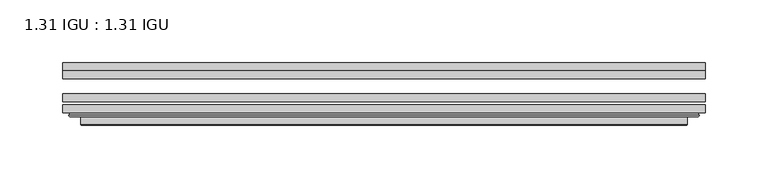
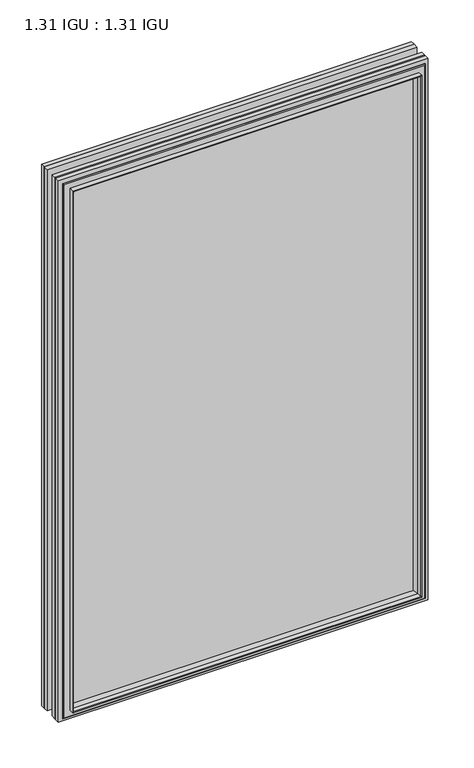
"""IFC4 building model written with IfcOpenShell, lengths in millimetres: plate geometry, 1.31 IGU : 1.31 IGU."""

from ifc_helpers import new_model, si_unit, frame, origin, place, context, project, spatial, polyline, ellipse_curve, outline, extrude, faceted_brep, source, transform, mapped, element, save
from ifc_brep_helpers import plane_surface, cylinder_surface, advanced_brep


def plate_1_31_igu_1_31_igu_d21e70ad(model_context):
    return source(origin(), model_context, "Body", "SolidModel", [
        extrude(outline(polyline([(255.601675, -66.4725937), (255.601675, -72.8225938), (-255.5875, -72.8225938), (-255.5875, -66.4725937), (255.601675, -66.4725937)])), frame((0.0, 0.0, -14.2875), z_axis=(0.0, 0.0, 1.0), x_axis=(1.0, 0.0, 0.0)), (0.0, 0.0, 1.0), 790.5964726),
        extrude(outline(polyline([(-255.5875, -81.4585938), (-255.5875, -75.1080887), (255.601675, -75.1080887), (255.601675, -81.4585938), (-255.5875, -81.4585938)])), frame((0.0, 0.0, -14.2875), z_axis=(0.0, 0.0, 1.0), x_axis=(1.0, 0.0, 0.0)), (0.0, 0.0, 1.0), 790.5964726),
        extrude(outline(polyline([(255.601675, -48.1337937), (255.601675, -54.4837938), (-255.5875, -54.4837938), (-255.5875, -48.1337937), (255.601675, -48.1337937)])), frame((0.0, 0.0, -14.2875), z_axis=(0.0, 0.0, 1.0), x_axis=(1.0, 0.0, 0.0)), (0.0, 0.0, 1.0), 790.5964726),
        faceted_brep([(-241.2946902, -41.7837938, 762.0123649), (-240.4022559, -48.1337937, 761.1199306), (-240.4022559, -48.1337937, 0.8977441), (-241.2946902, -41.7837938, 0.0053098), (-255.6002, -48.1337937, 776.3178747), (-255.6002, -41.7837938, 776.3178747), (-255.6002, -41.7837938, -14.3002), (-255.6002, -48.1337937, -14.3002), (240.4022559, -48.1337937, 0.8977441), (241.2946902, -41.7837938, 0.0053098), (255.6002, -41.7837938, -14.3002), (255.6002, -48.1337937, -14.3002), (240.4022559, -48.1337937, 761.1199306), (241.2946902, -41.7837938, 762.0123649), (255.6002, -41.7837938, 776.3178747), (255.6002, -48.1337937, 776.3178747)], [[[0, 1, 2, 3]], [[4, 5, 6, 7]], [[3, 2, 8, 9]], [[7, 6, 10, 11]], [[9, 8, 12, 13]], [[11, 10, 14, 15]], [[7, 11, 15, 4], [1, 12, 8, 2]], [[13, 12, 1, 0]], [[5, 14, 10, 6], [3, 9, 13, 0]], [[15, 14, 5, 4]]]),
        advanced_brep(
        [(-249.6986349, -84.6335938, 770.4163096), (-250.7004244, -83.4482604, 771.4180991), (-250.7004244, -83.4482604, -9.4004244), (-249.6986349, -84.6335938, -8.3986349), (-241.2945784, -91.0948368, 762.0122532), (-241.2945784, -84.6335938, 762.0122532), (-241.2945784, -84.6335938, 0.0054216), (-241.2945784, -91.0948368, 0.0054216), (-240.3039217, -90.6958619, 761.0215964), (-240.3039217, -90.6958619, 0.9960783), (-239.2718939, -85.2986307, 759.9895686), (-239.2718939, -85.2986307, 2.0281061), (-234.3370621, -81.4585938, 755.0547368), (-234.3370621, -81.4585938, 6.9629379), (-248.346219, -81.4585938, 769.0638938), (-248.346219, -81.4585938, -7.046219), (250.7004244, -83.4482604, -9.4004244), (249.6986349, -84.6335938, -8.3986349), (241.2945784, -84.6335938, 0.0054216), (241.2945784, -91.0948368, 0.0054216), (240.3039217, -90.6958619, 0.9960783), (239.2718939, -85.2986307, 2.0281061), (234.3370621, -81.4585938, 6.9629379), (248.346219, -81.4585938, -7.046219), (250.7004244, -83.4482604, 771.4180991), (249.6986349, -84.6335938, 770.4163096), (241.2945784, -84.6335938, 762.0122532), (241.2945784, -91.0948368, 762.0122532), (240.3039217, -90.6958619, 761.0215964), (239.2718939, -85.2986307, 759.9895686), (234.3370621, -81.4585938, 755.0547368), (248.346219, -81.4585938, 769.0638938)],
        [
            (0, 1, ellipse_curve(frame((-249.6986349, -83.6175938, 770.4163096), z_axis=(-0.7071067811865475, 0.0, -0.7071067811865475), x_axis=(-0.7071067811865474, 0.0, 0.7071067811865476)), 1.436841, 1.016)),
            (1, 2),
            (2, 3, ellipse_curve(frame((-249.6986349, -83.6175938, -8.3986349), z_axis=(-0.7071067811865475, 0.0, 0.7071067811865475), x_axis=(0.7071067811865474, 0.0, 0.7071067811865476)), 1.436841, 1.016)),
            (3, 0),
            (4, 5),
            (5, 6),
            (6, 7),
            (7, 4),
            (8, 4, ellipse_curve(frame((-240.9276219, -90.5766015, 761.6452966), z_axis=(-0.7071067811865475, 0.0, -0.7071067811865475), x_axis=(-0.7071067811865474, 0.0, 0.7071067811865476)), 0.8980256, 0.635)),
            (7, 9, ellipse_curve(frame((-240.9276219, -90.5766015, 0.3723781), z_axis=(-0.7071067811865475, 0.0, 0.7071067811865475), x_axis=(0.7071067811865474, 0.0, 0.7071067811865476)), 0.8980256, 0.635)),
            (9, 8),
            (10, 8),
            (9, 11),
            (11, 10),
            (12, 10),
            (11, 13),
            (13, 12),
            (1, 14, ellipse_curve(frame((-248.346219, -83.8461938, 769.0638938), z_axis=(-0.7071067811865475, 0.0, -0.7071067811865475), x_axis=(-0.7071067811865474, 0.0, 0.7071067811865476)), 3.3765763, 2.3876)),
            (14, 15),
            (15, 2, ellipse_curve(frame((-248.346219, -83.8461938, -7.046219), z_axis=(-0.7071067811865475, 0.0, 0.7071067811865475), x_axis=(0.7071067811865474, 0.0, 0.7071067811865476)), 3.3765763, 2.3876)),
            (2, 16),
            (16, 17, ellipse_curve(frame((249.6986349, -83.6175938, -8.3986349), z_axis=(-0.7071067811865475, 0.0, -0.7071067811865475), x_axis=(-0.7071067811865476, 0.0, 0.7071067811865474)), 1.436841, 1.016)),
            (17, 3),
            (6, 18),
            (18, 19),
            (19, 7),
            (19, 20, ellipse_curve(frame((240.9276219, -90.5766015, 0.3723781), z_axis=(-0.7071067811865475, 0.0, -0.7071067811865475), x_axis=(-0.7071067811865476, 0.0, 0.7071067811865474)), 0.8980256, 0.635)),
            (20, 9),
            (20, 21),
            (21, 11),
            (21, 22),
            (22, 13),
            (15, 23),
            (23, 16, ellipse_curve(frame((248.346219, -83.8461938, -7.046219), z_axis=(-0.7071067811865475, 0.0, -0.7071067811865475), x_axis=(-0.7071067811865476, 0.0, 0.7071067811865474)), 3.3765763, 2.3876)),
            (16, 24),
            (24, 25, ellipse_curve(frame((249.6986349, -83.6175938, 770.4163096), z_axis=(0.7071067811865475, 0.0, -0.7071067811865475), x_axis=(-0.7071067811865474, 0.0, -0.7071067811865476)), 1.436841, 1.016)),
            (25, 17),
            (18, 26),
            (26, 27),
            (27, 19),
            (27, 28, ellipse_curve(frame((240.9276219, -90.5766015, 761.6452966), z_axis=(0.7071067811865475, 0.0, -0.7071067811865475), x_axis=(-0.7071067811865474, 0.0, -0.7071067811865476)), 0.8980256, 0.635)),
            (28, 20),
            (28, 29),
            (29, 21),
            (29, 30),
            (30, 22),
            (23, 31),
            (31, 24, ellipse_curve(frame((248.346219, -83.8461938, 769.0638938), z_axis=(0.7071067811865475, 0.0, -0.7071067811865475), x_axis=(-0.7071067811865474, 0.0, -0.7071067811865476)), 3.3765763, 2.3876)),
            (24, 1),
            (0, 25),
            (5, 26),
            (4, 27),
            (8, 28),
            (10, 29),
            (12, 30),
            (14, 31),
        ],
        [
            cylinder_surface(frame((-249.6986349, -83.6175938, 793.7676747), z_axis=(0.0, 0.0, 1.0), x_axis=(-1.0, 0.0, 0.0)), 1.016),
            plane_surface(frame((-241.2945784, -84.6335938, 762.0122532), z_axis=(-1.0, 0.0, 0.0), x_axis=(0.0, 0.0, -1.0))),
            cylinder_surface(frame((-240.9276219, -90.5766015, 793.7676747), z_axis=(0.0, 0.0, 1.0), x_axis=(-1.0, 0.0, 0.0)), 0.635),
            plane_surface(frame((-240.3039217, -90.6958619, 761.0215964), z_axis=(0.9822050625507717, -0.1878116479338675, 0.0), x_axis=(0.0, 0.0, -1.0))),
            plane_surface(frame((-239.2718939, -85.2986307, 759.9895686), z_axis=(0.6141233906514726, -0.7892100234124875, 0.0), x_axis=(0.0, 0.0, -1.0))),
            cylinder_surface(frame((-248.346219, -83.8461938, 793.7676747), z_axis=(0.0, 0.0, 1.0), x_axis=(-1.0, 0.0, 0.0)), 2.3876),
            cylinder_surface(frame((-273.05, -83.6175938, -8.3986349), z_axis=(-1.0, 0.0, 0.0), x_axis=(0.0, 0.0, -1.0)), 1.016),
            plane_surface(frame((-241.2945784, -84.6335938, 0.0054216), z_axis=(0.0, 0.0, -1.0), x_axis=(1.0, 0.0, 0.0))),
            cylinder_surface(frame((-273.05, -90.5766015, 0.3723781), z_axis=(-1.0, 0.0, 0.0), x_axis=(0.0, 0.0, -1.0)), 0.635),
            plane_surface(frame((-240.3039217, -90.6958619, 0.9960783), z_axis=(0.0, -0.18781164793386435, 0.9822050625507722), x_axis=(1.0, 0.0, 0.0))),
            plane_surface(frame((-239.2718939, -85.2986307, 2.0281061), z_axis=(0.0, -0.7892100234124855, 0.6141233906514751), x_axis=(1.0, 0.0, 0.0))),
            cylinder_surface(frame((-273.05, -83.8461938, -7.046219), z_axis=(-1.0, 0.0, 0.0), x_axis=(0.0, 0.0, -1.0)), 2.3876),
            cylinder_surface(frame((249.6986349, -83.6175938, -31.75), z_axis=(0.0, 0.0, -1.0), x_axis=(1.0, 0.0, 0.0)), 1.016),
            plane_surface(frame((241.2945784, -84.6335938, 0.0054216), z_axis=(1.0, 0.0, 0.0), x_axis=(0.0, 0.0, 1.0))),
            cylinder_surface(frame((240.9276219, -90.5766015, -31.75), z_axis=(0.0, 0.0, -1.0), x_axis=(1.0, 0.0, 0.0)), 0.635),
            plane_surface(frame((240.3039217, -90.6958619, 0.9960783), z_axis=(-0.9822050625507728, -0.18781164793386118, 0.0), x_axis=(0.0, 0.0, 1.0))),
            plane_surface(frame((239.2718939, -85.2986307, 2.0281061), z_axis=(-0.6141233906514777, -0.7892100234124835, 0.0), x_axis=(0.0, 0.0, 1.0))),
            cylinder_surface(frame((248.346219, -83.8461938, -31.75), z_axis=(0.0, 0.0, -1.0), x_axis=(1.0, 0.0, 0.0)), 2.3876),
            cylinder_surface(frame((273.05, -83.6175938, 770.4163096), z_axis=(1.0, 0.0, 0.0), x_axis=(0.0, 0.0, 1.0)), 1.016),
            plane_surface(frame((249.6986349, -84.6335938, 770.4163096), z_axis=(0.0, -1.0, 0.0), x_axis=(-1.0, 0.0, 0.0))),
            plane_surface(frame((241.2945784, -84.6335938, 762.0122532), z_axis=(0.0, 0.0, 1.0), x_axis=(-1.0, 0.0, 0.0))),
            cylinder_surface(frame((273.05, -90.5766015, 761.6452966), z_axis=(1.0, 0.0, 0.0), x_axis=(0.0, 0.0, 1.0)), 0.635),
            plane_surface(frame((240.3039217, -90.6958619, 761.0215964), z_axis=(0.0, -0.18781164793386435, -0.9822050625507722), x_axis=(-1.0, 0.0, 0.0))),
            plane_surface(frame((239.2718939, -85.2986307, 759.9895686), z_axis=(0.0, -0.7892100234124855, -0.6141233906514751), x_axis=(-1.0, 0.0, 0.0))),
            plane_surface(frame((234.3370621, -81.4585938, 755.0547368), z_axis=(0.0, 1.0, 0.0), x_axis=(-1.0, 0.0, 0.0))),
            cylinder_surface(frame((273.05, -83.8461938, 769.0638938), z_axis=(1.0, 0.0, 0.0), x_axis=(0.0, 0.0, 1.0)), 2.3876),
        ],
        [
            (0, [[1, 2, 3, 4]]),
            (1, [[5, 6, 7, 8]]),
            (2, [[9, -8, 10, 11]]),
            (3, [[12, -11, 13, 14]]),
            (4, [[15, -14, 16, 17]]),
            (5, [[18, 19, 20, -2]]),
            (6, [[-3, 21, 22, 23]]),
            (7, [[-7, 24, 25, 26]]),
            (8, [[-10, -26, 27, 28]]),
            (9, [[-13, -28, 29, 30]]),
            (10, [[-16, -30, 31, 32]]),
            (11, [[-20, 33, 34, -21]]),
            (12, [[-22, 35, 36, 37]]),
            (13, [[-25, 38, 39, 40]]),
            (14, [[-27, -40, 41, 42]]),
            (15, [[-29, -42, 43, 44]]),
            (16, [[-31, -44, 45, 46]]),
            (17, [[-34, 47, 48, -35]]),
            (18, [[-36, 49, -1, 50]]),
            (19, [[-23, -37, -50, -4], [51, -38, -24, -6]]),
            (20, [[-39, -51, -5, 52]]),
            (21, [[-41, -52, -9, 53]]),
            (22, [[-43, -53, -12, 54]]),
            (23, [[-45, -54, -15, 55]]),
            (24, [[56, -47, -33, -19], [-32, -46, -55, -17]]),
            (25, [[-48, -56, -18, -49]]),
        ],
    ),
    ])


if __name__ == "__main__":
    model = new_model("IFC4")
    model_context = context("Model", 3, world=origin())
    ifc_project = project(units=[si_unit("LENGTHUNIT", "METRE", prefix="MILLI")], contexts=[model_context])
    site = spatial("IfcSite", under=ifc_project)
    building = spatial("IfcBuilding", under=site)
    placement = place(None, origin())
    plate_1_31_igu_1_31_igu_shape = plate_1_31_igu_1_31_igu_d21e70ad(model_context)
    element("IfcPlate", 1, ObjectType="1.31 IGU : 1.31 IGU", at=placement, inside=building, context=model_context, shape_type="MappedRepresentation", body=[
        mapped(plate_1_31_igu_1_31_igu_shape, transform((0.0, 0.0, 0.0), x_axis=(1.0, 0.0, 0.0), y_axis=(0.0, 1.0, 0.0), z_axis=(0.0, 0.0, 1.0))),
    ])
    save(model, "model.ifc")
